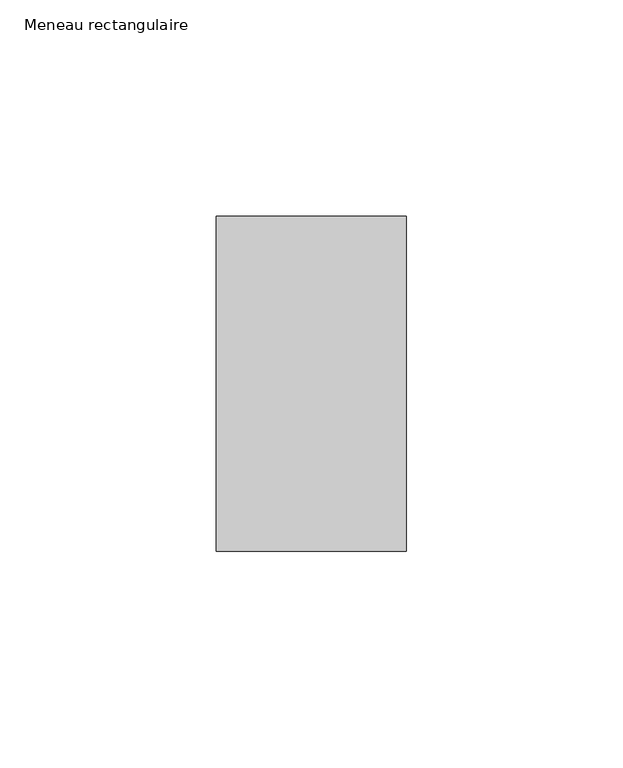
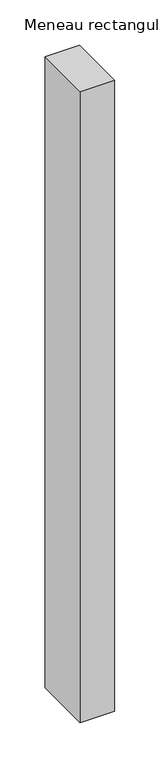
"""IFC4 building model written with IfcOpenShell, lengths in millimetres: member geometry, Meneau rectangulaire."""

from ifc_helpers import new_model, si_unit, frame, origin, place, context, project, spatial, polyline, outline, extrude, source, transform, mapped, element, save


def meneau_rectangulaire_cc4bbe2b(model_context):
    return source(origin(), model_context, "Body", "SweptSolid", [
        extrude(outline(polyline([(-44.0, 38.75), (0.0, 38.75), (0.0, -38.75), (-44.0, -38.75), (-44.0, 38.75)])), frame((0.0, 0.0, -850.7695155), z_axis=(0.0, 0.0, 1.0), x_axis=(1.0, 0.0, 0.0)), (0.0, 0.0, 1.0), 850.7695155),
    ])


if __name__ == "__main__":
    model = new_model("IFC4")
    model_context = context("Model", 3, world=origin())
    ifc_project = project(units=[si_unit("LENGTHUNIT", "METRE", prefix="MILLI")], contexts=[model_context])
    site = spatial("IfcSite", under=ifc_project)
    building = spatial("IfcBuilding", under=site)
    placement = place(None, origin())
    meneau_rectangulaire_shape = meneau_rectangulaire_cc4bbe2b(model_context)
    element("IfcMember", 1, ObjectType="Meneau rectangulaire", at=placement, inside=building, context=model_context, shape_type="MappedRepresentation", body=[
        mapped(meneau_rectangulaire_shape, transform((0.0, 0.0, 0.0), x_axis=(1.0, 0.0, 0.0), y_axis=(0.0, 1.0, 0.0), z_axis=(0.0, 0.0, 1.0))),
    ])
    save(model, "model.ifc")
